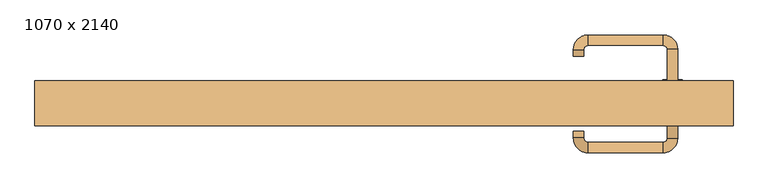
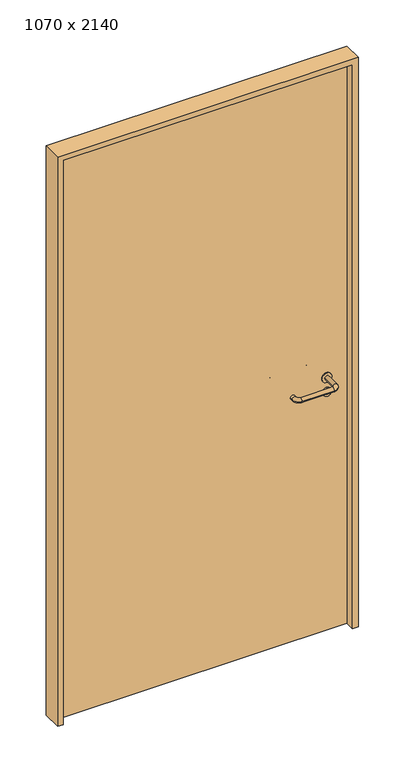
"""IFC4 building model written with IfcOpenShell, lengths in millimetres: door geometry, 1070 x 2140."""

from ifc_helpers import new_model, si_unit, point, frame, frame_2d, origin, origin_with_axes, place, context, project, spatial, polyline, circle_curve, ellipse_curve, trimmed, segment, composite_curve, outline, extrude, source, transform, mapped, element, save
from ifc_brep_helpers import plane_surface, cylinder_surface, revolved_surface, advanced_brep


def door_1070_x_2140_40c98cfc(model_context):
    return source(origin(), model_context, "Body", "SolidModel", [
        extrude(outline(composite_curve([segment(trimmed(circle_curve(frame_2d((897.3605726, 442.0)), 15.0), [point((897.3605726, 457.0))], [point((897.3605726, 427.0))], False, "CARTESIAN"), True, "CONTINUOUS"), segment(trimmed(circle_curve(frame_2d((897.3605726, 442.0)), 15.0), [point((897.3605726, 427.0))], [point((897.3605726, 457.0))], False, "CARTESIAN"), True, "CONTINUOUS")], self_intersect=False), holes=[composite_curve([segment(trimmed(circle_curve(frame_2d((892.5833211, 441.9398032)), 2.0), [point((892.5833211, 443.9398032))], [point((892.5833211, 439.9398032))], True, "CARTESIAN"), True, "CONTINUOUS"), segment(polyline([(892.5833211, 439.9398032), (902.5833211, 439.9398032)]), True, "CONTINUOUS"), segment(trimmed(circle_curve(frame_2d((902.5833211, 441.9398032)), 2.0), [point((902.5833211, 439.9398032))], [point((902.5833211, 443.9398032))], True, "CARTESIAN"), True, "CONTINUOUS"), segment(polyline([(902.5833211, 443.9398032), (892.5833211, 443.9398032)]), True, "CONTINUOUS")], self_intersect=False)]), frame((0.0, -6.35, 0.0), z_axis=(0.0, 1.0, 0.0), x_axis=(0.0, 0.0, 1.0)), (0.0, 0.0, 1.0), 6.35),
        extrude(outline(composite_curve([segment(trimmed(circle_curve(frame_2d((950.0, 442.0)), 17.526), [point((950.0, 459.526))], [point((950.0, 424.474))], False, "CARTESIAN"), True, "CONTINUOUS"), segment(trimmed(circle_curve(frame_2d((950.0, 442.0)), 17.526), [point((950.0, 424.474))], [point((950.0, 459.526))], False, "CARTESIAN"), True, "CONTINUOUS")], self_intersect=False)), frame((0.0, -3.175, 0.0), z_axis=(0.0, 1.0, 0.0), x_axis=(0.0, 0.0, 1.0)), (0.0, 0.0, 1.0), 3.175),
        advanced_brep(
        [(450.0, 0.0, 950.0), (434.0, 0.0, 950.0), (434.0, -53.0, 950.0), (450.0, -53.0, 950.0), (427.8578644, -59.1421356, 950.0), (427.8578644, -75.1421356, 950.0), (312.8578644, -59.1421356, 950.0), (312.8578644, -75.1421356, 950.0), (306.008622, -52.2928932, 950.0), (290.008622, -52.2928932, 950.0), (290.008622, -42.2928932, 950.0), (306.008622, -42.2928932, 950.0)],
        [
            (0, 1, circle_curve(frame((442.0, 0.0, 950.0), z_axis=(0.0, 1.0, 0.0), x_axis=(-1.0, 0.0, 0.0)), 8.0)),
            (1, 0, circle_curve(frame((442.0, 0.0, 950.0), z_axis=(0.0, 1.0, 0.0), x_axis=(-1.0, 0.0, 0.0)), 8.0)),
            (1, 2),
            (2, 3, circle_curve(frame((442.0, -53.0, 950.0), z_axis=(0.0, 1.0, 0.0), x_axis=(-1.0, 0.0, 0.0)), 8.0)),
            (3, 0),
            (3, 2, circle_curve(frame((442.0, -53.0, 950.0), z_axis=(0.0, 1.0, 0.0), x_axis=(-1.0, 0.0, 0.0)), 8.0)),
            (4, 5, circle_curve(frame((427.8578644, -67.1421356, 950.0), z_axis=(1.0, 0.0, 0.0), x_axis=(0.0, 1.0, 0.0)), 8.0)),
            (5, 3, circle_curve(frame((427.8578644, -53.0, 950.0), z_axis=(0.0, 0.0, 1.0), x_axis=(1.0, 0.0, 0.0)), 22.1421356)),
            (2, 4, circle_curve(frame((427.8578644, -53.0, 950.0), z_axis=(0.0, 0.0, -1.0), x_axis=(1.0, 0.0, 0.0)), 6.1421356)),
            (5, 4, circle_curve(frame((427.8578644, -67.1421356, 950.0), z_axis=(1.0, 0.0, 0.0), x_axis=(0.0, 1.0, 0.0)), 8.0)),
            (4, 6),
            (6, 7, circle_curve(frame((312.8578644, -67.1421356, 950.0), z_axis=(1.0, 0.0, 0.0), x_axis=(0.0, 1.0, 0.0)), 8.0)),
            (7, 5),
            (7, 6, circle_curve(frame((312.8578644, -67.1421356, 950.0), z_axis=(1.0, 0.0, 0.0), x_axis=(0.0, 1.0, 0.0)), 8.0)),
            (8, 9, circle_curve(frame((298.008622, -52.2928932, 950.0), z_axis=(0.0, -1.0, 0.0), x_axis=(1.0, 0.0, 0.0)), 8.0)),
            (9, 7, circle_curve(frame((312.8578644, -52.2928932, 950.0), z_axis=(0.0, 0.0, 1.0), x_axis=(0.0, -1.0, 0.0)), 22.8492424)),
            (6, 8, circle_curve(frame((312.8578644, -52.2928932, 950.0), z_axis=(0.0, 0.0, -1.0), x_axis=(0.0, -1.0, 0.0)), 6.8492424)),
            (9, 8, circle_curve(frame((298.008622, -52.2928932, 950.0), z_axis=(0.0, -1.0, 0.0), x_axis=(1.0, 0.0, 0.0)), 8.0)),
            (10, 11, circle_curve(frame((298.008622, -42.2928932, 950.0), z_axis=(0.0, 1.0, 0.0), x_axis=(1.0, 0.0, 0.0)), 8.0)),
            (11, 10, circle_curve(frame((298.008622, -42.2928932, 950.0), z_axis=(0.0, 1.0, 0.0), x_axis=(1.0, 0.0, 0.0)), 8.0)),
            (8, 11),
            (10, 9),
        ],
        [
            plane_surface(frame((442.0, 0.0, 0.0), z_axis=(0.0, 1.0, 0.0), x_axis=(0.0, 0.0, 1.0))),
            cylinder_surface(frame((442.0, 0.0, 950.0), z_axis=(0.0, 1.0, 0.0), x_axis=(-1.0, 0.0, 0.0)), 8.0),
            revolved_surface(trimmed(ellipse_curve(frame((442.0, -53.0, 950.0), z_axis=(0.0, -1.0, 0.0), x_axis=(-1.0, 0.0, 0.0)), 8.0, 8.0), [point((450.0, -53.0, 950.0))], [point((434.0, -53.0, 950.0))], True, "CARTESIAN"), (427.8578644, -53.0, 0.0), (0.0, 0.0, 1.0)),
            revolved_surface(trimmed(ellipse_curve(frame((442.0, -53.0, 950.0), z_axis=(0.0, -1.0, 0.0), x_axis=(-1.0, 0.0, 0.0)), 8.0, 8.0), [point((434.0, -53.0, 950.0))], [point((450.0, -53.0, 950.0))], True, "CARTESIAN"), (427.8578644, -53.0, 0.0), (0.0, 0.0, 1.0)),
            cylinder_surface(frame((427.8578644, -67.1421356, 950.0), z_axis=(1.0, 0.0, 0.0), x_axis=(0.0, 1.0, 0.0)), 8.0),
            revolved_surface(trimmed(ellipse_curve(frame((312.8578644, -67.1421356, 950.0), z_axis=(-1.0, 0.0, 0.0), x_axis=(0.0, 1.0, 0.0)), 8.0, 8.0), [point((312.8578644, -75.1421356, 950.0))], [point((312.8578644, -59.1421356, 950.0))], True, "CARTESIAN"), (312.8578644, -52.2928932, 0.0), (0.0, 0.0, 1.0)),
            revolved_surface(trimmed(ellipse_curve(frame((312.8578644, -67.1421356, 950.0), z_axis=(-1.0, 0.0, 0.0), x_axis=(0.0, 1.0, 0.0)), 8.0, 8.0), [point((312.8578644, -59.1421356, 950.0))], [point((312.8578644, -75.1421356, 950.0))], True, "CARTESIAN"), (312.8578644, -52.2928932, 0.0), (0.0, 0.0, 1.0)),
            plane_surface(frame((298.008622, -42.2928932, 0.0), z_axis=(0.0, 1.0, 0.0), x_axis=(0.0, 0.0, 1.0))),
            cylinder_surface(frame((298.008622, -52.2928932, 950.0), z_axis=(0.0, -1.0, 0.0), x_axis=(1.0, 0.0, 0.0)), 8.0),
        ],
        [
            (0, [[1, 2]]),
            (1, [[3, 4, 5, -2]]),
            (1, [[-5, 6, -3, -1]]),
            (2, [[7, 8, -4, 9]]),
            (3, [[10, -9, -6, -8]]),
            (4, [[11, 12, 13, -7]]),
            (4, [[-13, 14, -11, -10]]),
            (5, [[15, 16, -12, 17]]),
            (6, [[18, -17, -14, -16]]),
            (7, [[19, 20]]),
            (8, [[21, -19, 22, -15]]),
            (8, [[-22, -20, -21, -18]]),
        ],
    ),
        extrude(outline(composite_curve([segment(trimmed(circle_curve(frame_2d((0.0, -15.0)), 15.0), [point((0.0, -30.0))], [point((0.0, 0.0))], False, "CARTESIAN"), True, "CONTINUOUS"), segment(trimmed(circle_curve(frame_2d((0.0, -15.0)), 15.0), [point((0.0, 0.0))], [point((0.0, -30.0))], False, "CARTESIAN"), True, "CONTINUOUS")], self_intersect=False), holes=[composite_curve([segment(trimmed(circle_curve(frame_2d((4.7772515, -14.9398032)), 2.0), [point((4.7772515, -16.9398032))], [point((4.7772515, -12.9398032))], True, "CARTESIAN"), True, "CONTINUOUS"), segment(polyline([(4.7772515, -12.9398032), (-5.2227485, -12.9398032)]), True, "CONTINUOUS"), segment(trimmed(circle_curve(frame_2d((-5.2227485, -14.9398032)), 2.0), [point((-5.2227485, -12.9398032))], [point((-5.2227485, -16.9398032))], True, "CARTESIAN"), True, "CONTINUOUS"), segment(polyline([(-5.2227485, -16.9398032), (4.7772515, -16.9398032)]), True, "CONTINUOUS")], self_intersect=False)]), frame((427.0, 30.0, 897.3605726), z_axis=(1.8870575173328306e-12, 1.0, 0.0), x_axis=(0.0, 0.0, -1.0)), (0.0, 0.0, 1.0), 6.35),
        extrude(outline(composite_curve([segment(trimmed(circle_curve(frame_2d((0.0, -17.526)), 17.526), [point((0.0, -35.052))], [point((0.0, 0.0))], False, "CARTESIAN"), True, "CONTINUOUS"), segment(trimmed(circle_curve(frame_2d((0.0, -17.526)), 17.526), [point((0.0, 0.0))], [point((0.0, -35.052))], False, "CARTESIAN"), True, "CONTINUOUS")], self_intersect=False)), frame((424.474, 30.0, 950.0), z_axis=(1.8870575173328306e-12, 1.0, 0.0), x_axis=(0.0, 0.0, -1.0)), (0.0, 0.0, 1.0), 3.175),
        advanced_brep(
        [(450.0, 30.0, 950.0), (434.0, 30.0, 950.0), (450.0, 83.0, 950.0), (434.0, 83.0, 950.0), (427.8578644, 89.1421356, 950.0), (427.8578644, 105.1421356, 950.0), (312.8578644, 105.1421356, 950.0), (312.8578644, 89.1421356, 950.0), (306.008622, 82.2928932, 950.0), (290.008622, 82.2928932, 950.0), (290.008622, 72.2928932, 950.0), (306.008622, 72.2928932, 950.0)],
        [
            (0, 1, circle_curve(frame((442.0, 30.0, 950.0), z_axis=(-1.888672253512351e-12, -1.0, 0.0), x_axis=(-1.0, 1.888672253512351e-12, 0.0)), 8.0)),
            (1, 0, circle_curve(frame((442.0, 30.0, 950.0), z_axis=(-1.888672253512351e-12, -1.0, 0.0), x_axis=(-1.0, 1.888672253512351e-12, 0.0)), 8.0)),
            (0, 2),
            (2, 3, circle_curve(frame((442.0, 83.0, 950.0), z_axis=(-1.888672253512351e-12, -1.0, 0.0), x_axis=(-1.0, 1.888672253512351e-12, 0.0)), 8.0)),
            (3, 1),
            (3, 2, circle_curve(frame((442.0, 83.0, 950.0), z_axis=(-1.888672253512351e-12, -1.0, 0.0), x_axis=(-1.0, 1.888672253512351e-12, 0.0)), 8.0)),
            (4, 3, circle_curve(frame((427.8578644, 83.0, 950.0), z_axis=(0.0, 0.0, -1.0), x_axis=(1.0, -1.880717803715015e-12, 0.0)), 6.1421356)),
            (2, 5, circle_curve(frame((427.8578644, 83.0, 950.0), z_axis=(0.0, 0.0, 1.0), x_axis=(1.0, -1.880717803715015e-12, 0.0)), 22.1421356)),
            (5, 4, circle_curve(frame((427.8578644, 97.1421356, 950.0), z_axis=(1.0, -1.913702061528922e-12, 0.0), x_axis=(-1.913702061528922e-12, -1.0, 0.0)), 8.0)),
            (4, 5, circle_curve(frame((427.8578644, 97.1421356, 950.0), z_axis=(1.0, -1.913702061528922e-12, 0.0), x_axis=(-1.913702061528922e-12, -1.0, 0.0)), 8.0)),
            (5, 6),
            (6, 7, circle_curve(frame((312.8578644, 97.1421356, 950.0), z_axis=(1.0, -1.913719828541269e-12, 0.0), x_axis=(-1.913719828541269e-12, -1.0, 0.0)), 8.0)),
            (7, 4),
            (7, 6, circle_curve(frame((312.8578644, 97.1421356, 950.0), z_axis=(1.0, -1.913719828541269e-12, 0.0), x_axis=(-1.913719828541269e-12, -1.0, 0.0)), 8.0)),
            (8, 7, circle_curve(frame((312.8578644, 82.2928932, 950.0), z_axis=(0.0, 0.0, -1.0), x_axis=(1.9120873253494017e-12, 1.0, 0.0)), 6.8492424)),
            (6, 9, circle_curve(frame((312.8578644, 82.2928932, 950.0), z_axis=(0.0, 0.0, 1.0), x_axis=(1.9120873253494017e-12, 1.0, 0.0)), 22.8492424)),
            (9, 8, circle_curve(frame((298.008622, 82.2928932, 950.0), z_axis=(1.890448610351751e-12, 1.0, 0.0), x_axis=(1.0, -1.890448610351751e-12, 0.0)), 8.0)),
            (8, 9, circle_curve(frame((298.008622, 82.2928932, 950.0), z_axis=(1.8888942981172756e-12, 1.0, 0.0), x_axis=(1.0, -1.8888942981172756e-12, 0.0)), 8.0)),
            (10, 11, circle_curve(frame((298.008622, 72.2928932, 950.0), z_axis=(-1.8903642334018795e-12, -1.0, 0.0), x_axis=(1.0, -1.8903642334018795e-12, 0.0)), 8.0)),
            (11, 10, circle_curve(frame((298.008622, 72.2928932, 950.0), z_axis=(-1.8903642334018795e-12, -1.0, 0.0), x_axis=(1.0, -1.8903642334018795e-12, 0.0)), 8.0)),
            (9, 10),
            (11, 8),
        ],
        [
            plane_surface(frame((442.0, 30.0, 0.0), z_axis=(-1.8870575173328306e-12, -1.0, 0.0), x_axis=(0.0, 0.0, 1.0))),
            cylinder_surface(frame((442.0, 30.0, 950.0), z_axis=(-1.888672253512351e-12, -1.0, 0.0), x_axis=(-1.0, 1.888672253512351e-12, 0.0)), 8.0),
            revolved_surface(trimmed(ellipse_curve(frame((442.0, 83.0, 950.0), z_axis=(-1.8823325398945356e-12, -1.0, 0.0), x_axis=(-1.0, 1.8823325398945356e-12, 0.0)), 8.0, 8.0), [point((450.0, 83.0, 950.0))], [point((434.0, 83.0, 950.0))], True, "CARTESIAN"), (427.8578644, 83.0, 0.0), (0.0, 0.0, 1.0)),
            revolved_surface(trimmed(ellipse_curve(frame((442.0, 83.0, 950.0), z_axis=(-1.8823325398945356e-12, -1.0, 0.0), x_axis=(-1.0, 1.8823325398945356e-12, 0.0)), 8.0, 8.0), [point((434.0, 83.0, 950.0))], [point((450.0, 83.0, 950.0))], True, "CARTESIAN"), (427.8578644, 83.0, 0.0), (0.0, 0.0, 1.0)),
            cylinder_surface(frame((427.8578644, 97.1421356, 950.0), z_axis=(1.0, -1.913719828541269e-12, 0.0), x_axis=(-1.913719828541269e-12, -1.0, 0.0)), 8.0),
            revolved_surface(trimmed(ellipse_curve(frame((312.8578644, 97.1421356, 950.0), z_axis=(1.0, -1.913702061528922e-12, 0.0), x_axis=(-1.913702061528922e-12, -1.0, 0.0)), 8.0, 8.0), [point((312.8578644, 105.1421356, 950.0))], [point((312.8578644, 89.1421356, 950.0))], True, "CARTESIAN"), (312.8578644, 82.2928932, 0.0), (0.0, 0.0, 1.0)),
            revolved_surface(trimmed(ellipse_curve(frame((312.8578644, 97.1421356, 950.0), z_axis=(1.0, -1.913702061528922e-12, 0.0), x_axis=(-1.913702061528922e-12, -1.0, 0.0)), 8.0, 8.0), [point((312.8578644, 89.1421356, 950.0))], [point((312.8578644, 105.1421356, 950.0))], True, "CARTESIAN"), (312.8578644, 82.2928932, 0.0), (0.0, 0.0, 1.0)),
            plane_surface(frame((298.008622, 72.2928932, 0.0), z_axis=(-1.8887494972223595e-12, -1.0, 0.0), x_axis=(0.0, 0.0, 1.0))),
            cylinder_surface(frame((298.008622, 82.2928932, 950.0), z_axis=(1.8903642334018795e-12, 1.0, 0.0), x_axis=(1.0, -1.8903642334018795e-12, 0.0)), 8.0),
        ],
        [
            (0, [[1, 2]]),
            (1, [[-1, 3, 4, 5]]),
            (1, [[-2, -5, 6, -3]]),
            (2, [[7, -4, 8, 9]]),
            (3, [[-8, -6, -7, 10]]),
            (4, [[-9, 11, 12, 13]]),
            (4, [[-10, -13, 14, -11]]),
            (5, [[15, -12, 16, 17]]),
            (6, [[-16, -14, -15, 18]]),
            (7, [[19, 20]]),
            (8, [[-17, 21, -20, 22]]),
            (8, [[-18, -22, -19, -21]]),
        ],
    ),
        extrude(outline(polyline([(2120.0, 515.0), (0.0, 515.0), (0.0, 535.0), (2140.0, 535.0), (2140.0, -535.0), (0.0, -535.0), (0.0, -515.0), (2120.0, -515.0), (2120.0, 515.0)])), frame((0.0, -34.0, 0.0), z_axis=(0.0, 1.0, 0.0), x_axis=(0.0, 0.0, 1.0)), (0.0, 0.0, 1.0), 69.0),
        extrude(outline(polyline([(-515.0, 30.0), (515.0, 30.0), (515.0, 0.0), (-515.0, 0.0), (-515.0, 30.0)])), origin_with_axes(), (0.0, 0.0, 1.0), 2120.0),
    ])


if __name__ == "__main__":
    model = new_model("IFC4")
    model_context = context("Model", 3, world=origin())
    ifc_project = project(units=[si_unit("LENGTHUNIT", "METRE", prefix="MILLI")], contexts=[model_context])
    site = spatial("IfcSite", under=ifc_project)
    building = spatial("IfcBuilding", under=site)
    placement = place(None, origin())
    door_1070_x_2140_shape = door_1070_x_2140_40c98cfc(model_context)
    element("IfcDoor", 1, ObjectType="1070 x 2140", at=placement, inside=building, context=model_context, shape_type="MappedRepresentation", body=[
        mapped(door_1070_x_2140_shape, transform((0.0, 0.0, 0.0), x_axis=(1.0, 0.0, 0.0), y_axis=(0.0, 1.0, 0.0), z_axis=(0.0, 0.0, 1.0))),
    ])
    save(model, "model.ifc")
